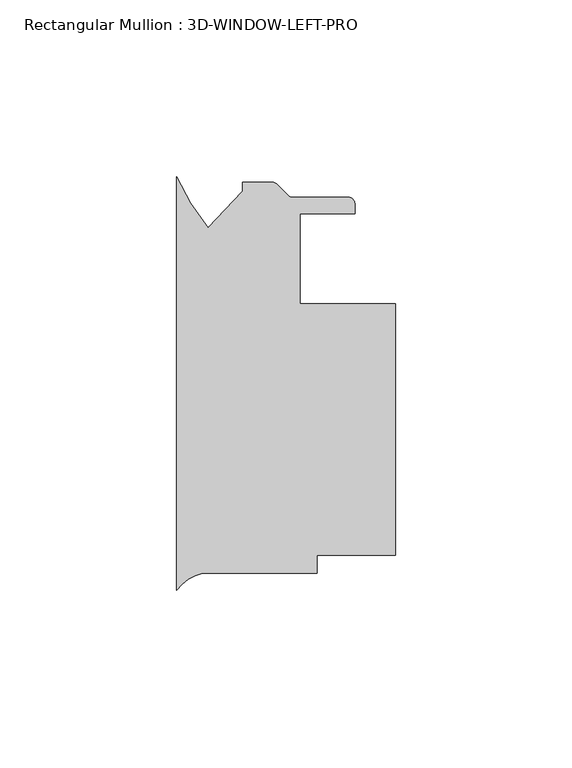
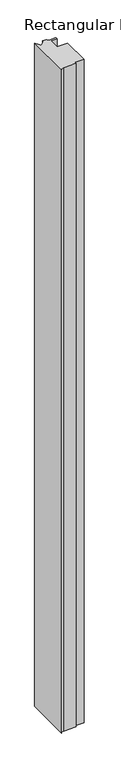
"""IFC4 building model written with IfcOpenShell, lengths in millimetres: member geometry, Rectangular Mullion : 3D-WINDOW-LEFT-PRO."""

from ifc_helpers import new_model, si_unit, point, frame, frame_2d, origin, place, context, project, spatial, polyline, circle_curve, trimmed, segment, composite_curve, outline, extrude, source, transform, mapped, element, save


def rectangular_mullion_3d_window_left_pro_ffc0174f(model_context):
    return source(origin(), model_context, "Body", "SweptSolid", [
        extrude(outline(composite_curve([segment(polyline([(0.0, -34.6041923), (0.0, 82.3245726)]), True, "CONTINUOUS"), segment(trimmed(circle_curve(frame_2d((51.6557302, 104.2480144)), 56.1155216), [point((0.0, 82.3245726))], [point((8.858802, 67.9523577))], True, "CARTESIAN"), True, "CONTINUOUS"), segment(polyline([(8.858802, 67.9523577), (18.6761495, 78.2605726), (18.6761495, 80.8005725), (27.03997, 80.8005725)]), True, "CONTINUOUS"), segment(trimmed(circle_curve(frame_2d((27.03997, 79.0225725)), 1.778), [point((27.03997, 80.8005725))], [point((28.2972059, 80.2798083))], False, "CARTESIAN"), True, "CONTINUOUS"), segment(polyline([(28.2972059, 80.2798083), (31.5228776, 77.0541366)]), True, "CONTINUOUS"), segment(trimmed(circle_curve(frame_2d((32.7801135, 78.3113725)), 1.778), [point((31.5228776, 77.0541366))], [point((32.7801135, 76.5333725))], True, "CARTESIAN"), True, "CONTINUOUS"), segment(polyline([(32.7801135, 76.5333725), (48.6481495, 76.5333725)]), True, "CONTINUOUS"), segment(trimmed(circle_curve(frame_2d((48.6481495, 74.7553725)), 1.778), [point((48.6481495, 76.5333725))], [point((50.4261495, 74.7553725))], False, "CARTESIAN"), True, "CONTINUOUS"), segment(polyline([(50.4261495, 74.7553725), (50.4261495, 71.8343723), (34.925, 71.8343723), (34.925, 46.4343725), (61.9124999, 46.4343725), (61.9124999, -24.6856275), (39.6875, -24.6856275), (39.6875, -29.7656275), (7.2925126, -29.7656275)]), True, "CONTINUOUS"), segment(trimmed(circle_curve(frame_2d((10.8196816, -42.9964412)), 13.6928942), [point((7.2925126, -29.7656275))], [point((0.0, -34.6041923))], True, "CARTESIAN"), True, "CONTINUOUS")], self_intersect=False)), frame((0.0, 0.0, -1765.3), z_axis=(0.0, 0.0, 1.0), x_axis=(1.0, 0.0, 0.0)), (0.0, 0.0, 1.0), 1765.3),
    ])


if __name__ == "__main__":
    model = new_model("IFC4")
    model_context = context("Model", 3, world=origin())
    ifc_project = project(units=[si_unit("LENGTHUNIT", "METRE", prefix="MILLI")], contexts=[model_context])
    site = spatial("IfcSite", under=ifc_project)
    building = spatial("IfcBuilding", under=site)
    placement = place(None, origin())
    rectangular_mullion_3d_window_left_pro_shape = rectangular_mullion_3d_window_left_pro_ffc0174f(model_context)
    element("IfcMember", 1, ObjectType="Rectangular Mullion : 3D-WINDOW-LEFT-PRO", at=placement, inside=building, context=model_context, shape_type="MappedRepresentation", body=[
        mapped(rectangular_mullion_3d_window_left_pro_shape, transform((0.0, 0.0, 0.0), x_axis=(1.0, 0.0, 0.0), y_axis=(0.0, 1.0, 0.0), z_axis=(0.0, 0.0, 1.0))),
    ])
    save(model, "model.ifc")
